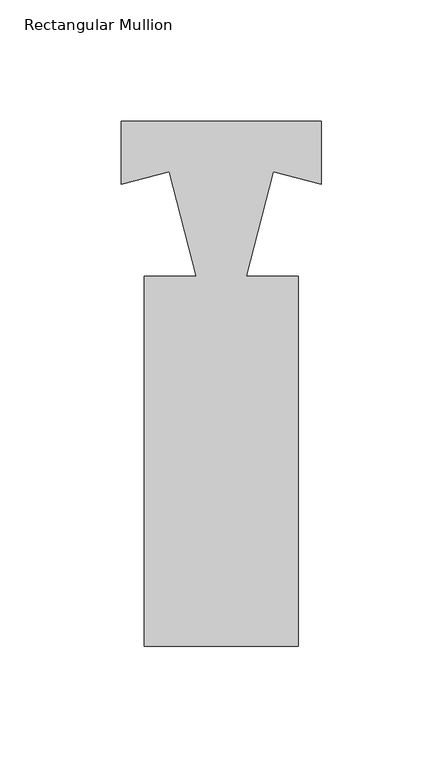
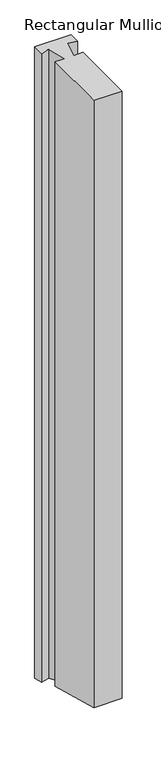
"""IFC4 building model written with IfcOpenShell, lengths in millimetres: member geometry, Rectangular Mullion."""

from ifc_helpers import new_model, si_unit, origin, place, context, project, spatial, faceted_brep, source, transform, mapped, element, save


def rectangular_mullion_7a48b26a(model_context):
    return source(origin(), model_context, "Body", "Brep", [
        faceted_brep([(-31.75, -5.8539785, 0.0), (-31.75, -158.2539785, 0.0), (31.75, -158.2539785, 0.0), (31.75, -5.8539785, 0.0), (10.2649896, -5.8539785, 0.0), (21.4248928, 37.3681789, 0.0), (41.2744654, 32.2430458, 0.0), (41.2744654, 58.1429848, 0.0), (-41.2744654, 58.1429848, 0.0), (-41.2744654, 32.2430458, 0.0), (-21.4248928, 37.3681789, 0.0), (-10.2649896, -5.8539785, 0.0), (-31.75, -5.8539785, -1496.8173301), (-31.75, -158.2539785, -1455.9818732), (31.75, -158.2539785, -1455.9818732), (31.75, -5.8539785, -1496.8173301), (10.2649896, -5.8539785, -1496.8173301), (21.4248928, 37.3681789, -1508.3986723), (41.2744654, 32.2430458, -1507.025397), (41.2744654, 58.1429848, -1513.9652648), (-41.2744654, 58.1429848, -1513.9652648), (-41.2744654, 32.2430458, -1507.025397), (-21.4248928, 37.3681789, -1508.3986723), (-10.2649896, -5.8539785, -1496.8173301)], [[[0, 1, 2, 3, 4, 5, 6, 7, 8, 9, 10, 11]], [[1, 0, 12, 13]], [[2, 1, 13, 14]], [[3, 2, 14, 15]], [[4, 3, 15, 16]], [[5, 4, 16, 17]], [[6, 5, 17, 18]], [[7, 6, 18, 19]], [[8, 7, 19, 20]], [[9, 8, 20, 21]], [[10, 9, 21, 22]], [[11, 10, 22, 23]], [[0, 11, 23, 12]], [[12, 23, 22, 21, 20, 19, 18, 17, 16, 15, 14, 13]]]),
    ])


if __name__ == "__main__":
    model = new_model("IFC4")
    model_context = context("Model", 3, world=origin())
    ifc_project = project(units=[si_unit("LENGTHUNIT", "METRE", prefix="MILLI")], contexts=[model_context])
    site = spatial("IfcSite", under=ifc_project)
    building = spatial("IfcBuilding", under=site)
    placement = place(None, origin())
    rectangular_mullion_shape = rectangular_mullion_7a48b26a(model_context)
    element("IfcMember", 1, ObjectType="Rectangular Mullion", at=placement, inside=building, context=model_context, shape_type="MappedRepresentation", body=[
        mapped(rectangular_mullion_shape, transform((0.0, 0.0, 0.0), x_axis=(1.0, 0.0, 0.0), y_axis=(0.0, 1.0, 0.0), z_axis=(0.0, 0.0, 1.0))),
    ])
    save(model, "model.ifc")
